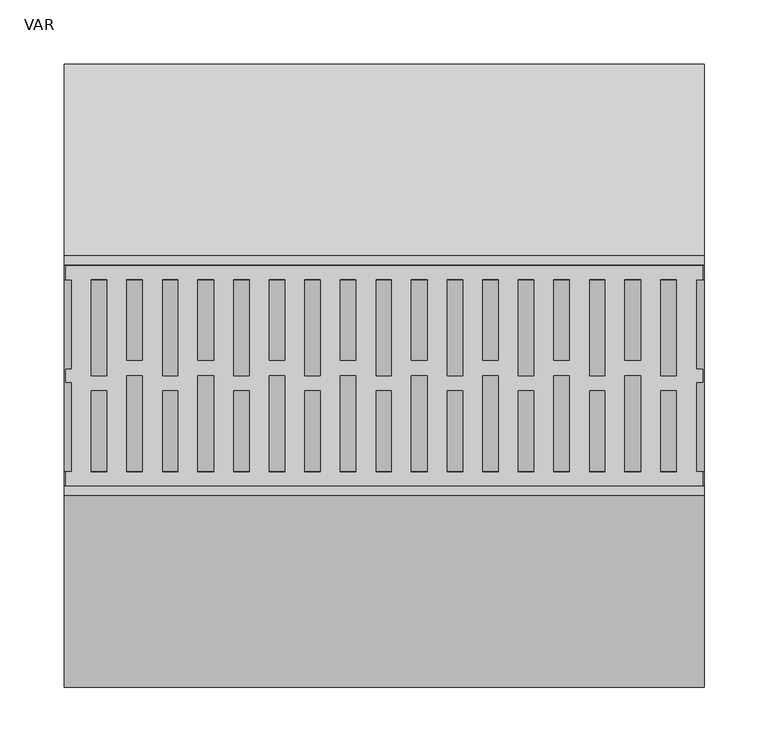
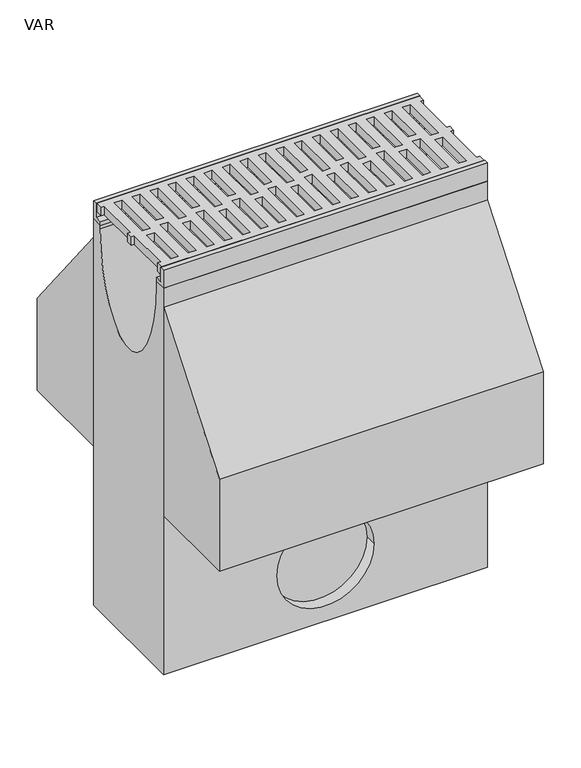
"""IFC4 building model written with IfcOpenShell, lengths in millimetres: flow terminal geometry, VAR."""

from ifc_helpers import new_model, si_unit, point, frame, origin, place, context, project, spatial, polyline, circle_curve, ellipse_curve, trimmed, outline, extrude, source, transform, mapped, element, save
from ifc_brep_helpers import plane_surface, revolved_surface, extruded_surface, advanced_brep


def var_ce20f340(model_context):
    return source(origin(), model_context, "Body", "SolidModel", [
        extrude(outline(polyline([(499.0, 75.0), (493.7871589, 75.0), (493.7871589, 5.0), (499.0, 5.0), (499.0, -5.0), (493.9604202, -5.0), (493.9604202, -75.0), (499.0, -75.0), (499.0, -86.0), (1.5, -86.0), (1.5, -75.0), (6.0847381, -75.0), (6.0847381, -5.0), (1.5, -5.0), (1.5, 5.0), (6.0847381, 5.0), (6.0847381, 75.0), (1.5, 75.0), (1.5, 86.0), (499.0, 86.0), (499.0, 75.0)]), holes=[polyline([(478.2, 75.0), (466.2429028, 75.0), (466.2429028, 0.0), (478.2, 0.0), (478.2, 75.0)]), polyline([(450.4, 75.0), (438.2305238, 75.0), (438.2305238, 11.948473), (450.4, 11.948473), (450.4, 75.0)]), polyline([(422.6, 75.0), (410.6429028, 75.0), (410.6429028, 0.0), (422.6, 0.0), (422.6, 75.0)]), polyline([(394.8, 75.0), (382.6305238, 75.0), (382.6305238, 11.948473), (394.8, 11.948473), (394.8, 75.0)]), polyline([(367.0, 75.0), (355.0429028, 75.0), (355.0429028, 0.0), (367.0, 0.0), (367.0, 75.0)]), polyline([(339.2, 75.0), (327.0305238, 75.0), (327.0305238, 11.948473), (339.2, 11.948473), (339.2, 75.0)]), polyline([(311.4, 75.0), (299.4429028, 75.0), (299.4429028, 0.0), (311.4, 0.0), (311.4, 75.0)]), polyline([(283.6, 75.0), (271.4305238, 75.0), (271.4305238, 11.948473), (283.6, 11.948473), (283.6, 75.0)]), polyline([(255.8, 75.0), (243.8429028, 75.0), (243.8429028, 0.0), (255.8, 0.0), (255.8, 75.0)]), polyline([(228.0, 75.0), (215.8305238, 75.0), (215.8305238, 11.948473), (228.0, 11.948473), (228.0, 75.0)]), polyline([(200.2, 75.0), (188.2429028, 75.0), (188.2429028, 0.0), (200.2, 0.0), (200.2, 75.0)]), polyline([(172.4, 75.0), (160.2305238, 75.0), (160.2305238, 11.948473), (172.4, 11.948473), (172.4, 75.0)]), polyline([(144.6, 75.0), (132.6429028, 75.0), (132.6429028, 0.0), (144.6, 0.0), (144.6, 75.0)]), polyline([(116.8, 75.0), (104.6305238, 75.0), (104.6305238, 11.948473), (116.8, 11.948473), (116.8, 75.0)]), polyline([(89.0, 75.0), (77.0429028, 75.0), (77.0429028, 0.0), (89.0, 0.0), (89.0, 75.0)]), polyline([(61.2, 75.0), (49.0305238, 75.0), (49.0305238, 11.948473), (61.2, 11.948473), (61.2, 75.0)]), polyline([(33.4, 75.0), (21.4429028, 75.0), (21.4429028, 0.0), (33.4, 0.0), (33.4, 75.0)]), polyline([(49.0305238, -75.0), (61.2, -75.0), (61.2, 0.0), (49.0305238, 0.0), (49.0305238, -75.0)]), polyline([(104.6305238, -75.0), (116.8, -75.0), (116.8, 0.0), (104.6305238, 0.0), (104.6305238, -75.0)]), polyline([(160.2305238, -75.0), (172.4, -75.0), (172.4, 0.0), (160.2305238, 0.0), (160.2305238, -75.0)]), polyline([(215.8305238, -75.0), (228.0, -75.0), (228.0, 0.0), (215.8305238, 0.0), (215.8305238, -75.0)]), polyline([(271.4305238, -75.0), (283.6, -75.0), (283.6, 0.0), (271.4305238, 0.0), (271.4305238, -75.0)]), polyline([(327.0305238, -75.0), (339.2, -75.0), (339.2, 0.0), (327.0305238, 0.0), (327.0305238, -75.0)]), polyline([(382.6305238, -75.0), (394.8, -75.0), (394.8, 0.0), (382.6305238, 0.0), (382.6305238, -75.0)]), polyline([(438.2305238, -75.0), (450.4, -75.0), (450.4, 0.0), (438.2305238, 0.0), (438.2305238, -75.0)]), polyline([(478.2, -75.0), (478.2, -11.948473), (466.2, -11.948473), (466.2, -75.0), (478.2, -75.0)]), polyline([(422.6, -75.0), (422.6, -11.948473), (410.6, -11.948473), (410.6, -75.0), (422.6, -75.0)]), polyline([(367.0, -75.0), (367.0, -11.948473), (355.0, -11.948473), (355.0, -75.0), (367.0, -75.0)]), polyline([(311.4, -75.0), (311.4, -11.948473), (299.4, -11.948473), (299.4, -75.0), (311.4, -75.0)]), polyline([(255.8, -75.0), (255.8, -11.948473), (243.8, -11.948473), (243.8, -75.0), (255.8, -75.0)]), polyline([(200.2, -75.0), (200.2, -11.948473), (188.2, -11.948473), (188.2, -75.0), (200.2, -75.0)]), polyline([(144.6, -75.0), (144.6, -11.948473), (132.6, -11.948473), (132.6, -75.0), (144.6, -75.0)]), polyline([(89.0, -75.0), (89.0, -11.948473), (77.0, -11.948473), (77.0, -75.0), (89.0, -75.0)]), polyline([(33.4, -75.0), (33.4, -11.948473), (21.4, -11.948473), (21.4, -75.0), (33.4, -75.0)])]), frame((0.0, 0.0, -14.0), z_axis=(0.0, 0.0, 1.0), x_axis=(1.0, 0.0, 0.0)), (0.0, 0.0, 1.0), 14.0),
        advanced_brep(
        [(0.0, 75.0, -30.0), (0.0, 93.5, -30.0), (0.0, 93.5, -660.0), (0.0, -93.5, -660.0), (0.0, -93.5, -30.0), (0.0, -75.0, -30.0), (0.0, -75.0, -35.0), (0.0, 75.0, -35.0), (500.0, 75.0, -30.0), (500.0, 75.0, -35.0), (500.0, -75.0, -35.0), (500.0, -75.0, -30.0), (500.0, -93.5, -30.0), (500.0, -93.5, -660.0), (500.0, 93.5, -660.0), (500.0, 93.5, -30.0), (175.0, -93.5, -560.0), (325.0, -93.5, -560.0), (325.0, -75.0, -560.0), (175.0, -75.0, -560.0)],
        [
            (0, 1),
            (1, 2),
            (2, 3),
            (3, 4),
            (4, 5),
            (5, 6),
            (6, 7, ellipse_curve(frame((0.0, 0.0, -35.0), z_axis=(1.0, 0.0, 0.0), x_axis=(0.0, 1.0, 0.0)), 75.0, 150.0)),
            (7, 0),
            (8, 9),
            (9, 10, ellipse_curve(frame((500.0, 0.0, -35.0), z_axis=(-1.0, 0.0, 0.0), x_axis=(0.0, 1.0, 0.0)), 75.0, 150.0)),
            (10, 11),
            (11, 12),
            (12, 13),
            (13, 14),
            (14, 15),
            (15, 8),
            (7, 9),
            (8, 0),
            (6, 10),
            (5, 11),
            (4, 12),
            (3, 13),
            (16, 17, circle_curve(frame((250.0, -93.5, -560.0), z_axis=(0.0, 1.0, 0.0), x_axis=(-1.0, 0.0, 0.0)), 75.0)),
            (17, 16, circle_curve(frame((250.0, -93.5, -560.0), z_axis=(0.0, 1.0, 0.0), x_axis=(-1.0, 0.0, 0.0)), 75.0)),
            (2, 14),
            (1, 15),
            (18, 19, circle_curve(frame((250.0, -75.0, -560.0), z_axis=(0.0, -1.0, 0.0), x_axis=(-1.0, 0.0, 0.0)), 75.0)),
            (19, 18, circle_curve(frame((250.0, -75.0, -560.0), z_axis=(0.0, -1.0, 0.0), x_axis=(-1.0, 0.0, 0.0)), 75.0)),
            (19, 16),
            (17, 18),
        ],
        [
            plane_surface(frame((0.0, 0.0, -188.75), z_axis=(-1.0, 0.0, 0.0), x_axis=(0.0, 0.0, -1.0))),
            plane_surface(frame((500.0, 0.0, -188.75), z_axis=(1.0, 0.0, 0.0), x_axis=(0.0, 0.0, -1.0))),
            plane_surface(frame((500.0, 75.0, -32.5), z_axis=(0.0, -1.0, 0.0), x_axis=(0.0, 0.0, -1.0))),
            extruded_surface(trimmed(ellipse_curve(frame((0.0, 0.0, -35.0), z_axis=(-1.0, 0.0, 0.0), x_axis=(0.0, 1.0, 0.0)), 75.0, 150.0), [point((0.0, 75.0, -35.0))], [point((0.0, -75.0, -35.0))], True, "CARTESIAN"), (500.0, 0.0, 0.0), 500.0),
            plane_surface(frame((500.0, -75.0, -32.5), z_axis=(0.0, 1.0, 0.0), x_axis=(0.0, 0.0, 1.0))),
            plane_surface(frame((500.0, -84.25, -30.0), z_axis=(0.0, 0.0, 1.0), x_axis=(0.0, -1.0, 0.0))),
            plane_surface(frame((500.0, -93.5, -345.0), z_axis=(0.0, -1.0, 0.0), x_axis=(0.0, 0.0, -1.0))),
            plane_surface(frame((500.0, 0.0, -660.0), z_axis=(0.0, 0.0, -1.0), x_axis=(0.0, 1.0, 0.0))),
            plane_surface(frame((500.0, 93.5, -345.0), z_axis=(0.0, 1.0, 0.0), x_axis=(0.0, 0.0, 1.0))),
            plane_surface(frame((500.0, 84.25, -30.0), z_axis=(0.0, 0.0, 1.0), x_axis=(0.0, -1.0, 0.0))),
            plane_surface(frame((175.0, -75.0, -560.0), z_axis=(0.0, -1.0, 0.0), x_axis=(0.0, 0.0, -1.0))),
            revolved_surface(polyline([(175.0, -93.5, -560.0), (175.0, -75.0, -560.0)]), (250.0, -75.0, -560.0), (0.0, -1.0, 0.0)),
        ],
        [
            (0, [[1, 2, 3, 4, 5, 6, 7, 8]]),
            (1, [[9, 10, 11, 12, 13, 14, 15, 16]]),
            (2, [[17, -9, 18, -8]]),
            (3, [[19, -10, -17, -7]]),
            (4, [[20, -11, -19, -6]]),
            (5, [[21, -12, -20, -5]]),
            (6, [[22, -13, -21, -4], [23, 24]]),
            (7, [[25, -14, -22, -3]]),
            (8, [[26, -15, -25, -2]]),
            (9, [[-18, -16, -26, -1]]),
            (10, [[27, 28]]),
            (11, [[29, -24, 30, -28]]),
            (11, [[-30, -23, -29, -27]]),
        ],
    ),
        extrude(outline(polyline([(86.5, 0.0), (93.5, 0.0), (93.5, -30.0), (75.0, -30.0), (75.0, -23.0), (86.5, -23.0), (86.5, 0.0)])), frame((0.0, 0.0, 0.0), z_axis=(1.0, 0.0, 0.0), x_axis=(0.0, 1.0, 0.0)), (0.0, 0.0, 1.0), 500.0),
        extrude(outline(polyline([(-86.5, 0.0), (-86.5, -23.0), (-75.0, -23.0), (-75.0, -30.0), (-93.5, -30.0), (-93.5, 0.0), (-86.5, 0.0)])), frame((0.0, 0.0, 0.0), z_axis=(1.0, 0.0, 0.0), x_axis=(0.0, 1.0, 0.0)), (0.0, 0.0, 1.0), 500.0),
        extrude(outline(polyline([(93.5, -250.0), (93.5, -60.0), (243.5, -250.0), (243.5, -400.0), (-243.5, -400.0), (-243.5, -250.0), (-93.5, -60.0), (-93.5, -250.0), (93.5, -250.0)])), frame((0.0, 0.0, 0.0), z_axis=(1.0, 0.0, 0.0), x_axis=(0.0, 1.0, 0.0)), (0.0, 0.0, 1.0), 500.0),
    ])


if __name__ == "__main__":
    model = new_model("IFC4")
    model_context = context("Model", 3, world=origin())
    ifc_project = project(units=[si_unit("LENGTHUNIT", "METRE", prefix="MILLI")], contexts=[model_context])
    site = spatial("IfcSite", under=ifc_project)
    building = spatial("IfcBuilding", under=site)
    placement = place(None, origin())
    var_shape = var_ce20f340(model_context)
    element("IfcFlowTerminal", 1, ObjectType="VAR", at=placement, inside=building, context=model_context, shape_type="MappedRepresentation", body=[
        mapped(var_shape, transform((0.0, 0.0, 0.0), x_axis=(1.0, 0.0, 0.0), y_axis=(0.0, 1.0, 0.0), z_axis=(0.0, 0.0, 1.0))),
    ])
    save(model, "model.ifc")
